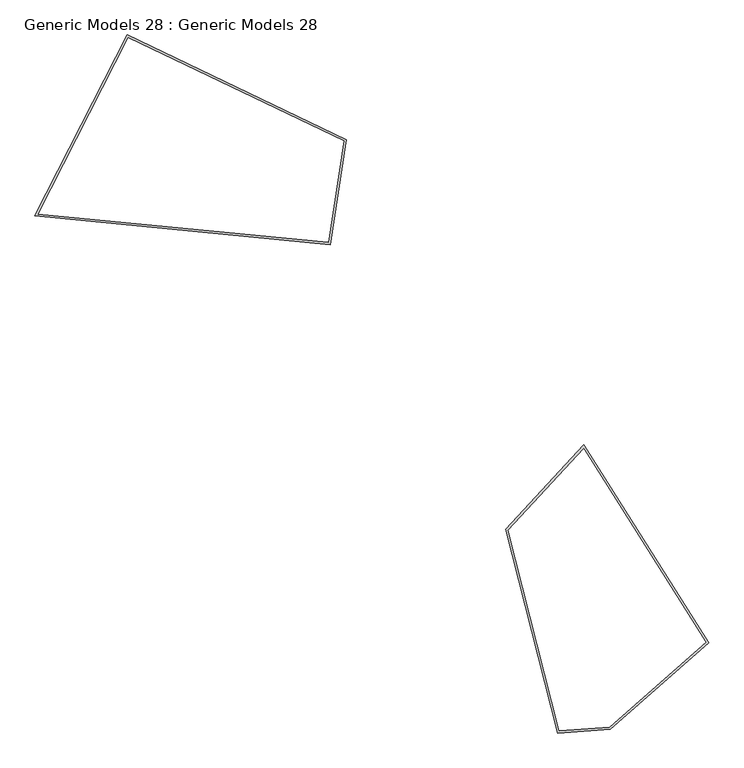
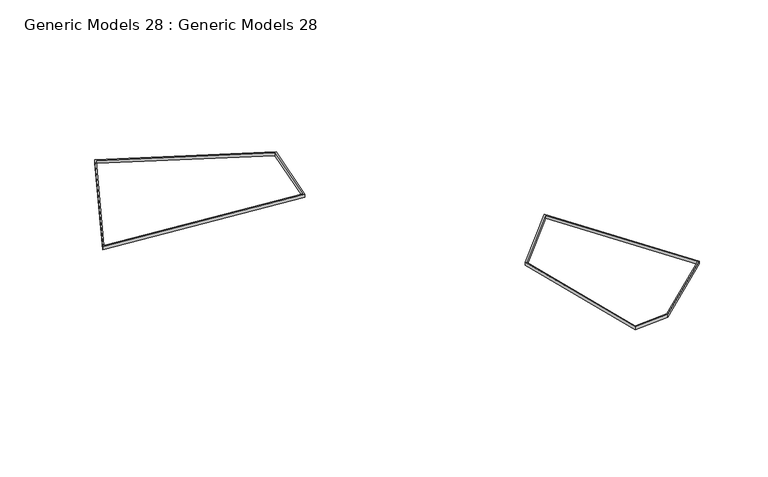
"""IFC4 building model written with IfcOpenShell, lengths in millimetres: proxy geometry, Generic Models 28 : Generic Models 28."""

from ifc_helpers import new_model, si_unit, frame, origin, place, context, project, spatial, polyline, outline, extrude, source, transform, mapped, element, save


def generic_models_28_generic_models_28_ae254f83(model_context):
    return source(origin(), model_context, "Body", "SweptSolid", [
        extrude(outline(polyline([(-215928.6251529, 179.1812492), (-199444.8480501, -25969.943683), (-212463.5443803, -37381.4078579), (-219408.6215846, -37881.8825121), (-226234.5168967, -10974.0448797), (-215928.6251529, 179.1812492)]), holes=[polyline([(-225903.6978771, -11058.0758763), (-219179.6061727, -37564.6013264), (-212585.5579371, -37089.422446), (-199835.2446226, -25913.2078761), (-215973.7887453, -311.7450648), (-225903.6978771, -11058.0758763)])]), frame((0.0, 0.0, 427.8608344), z_axis=(0.0, 0.0, 1.0), x_axis=(1.0, 0.0, 0.0)), (0.0, 0.0, 1.0), 614.2841013),
        extrude(outline(polyline([(-276244.1680761, 54348.7130462), (-247293.5494755, 40509.3368624), (-249466.3341192, 26635.7143217), (-288452.400733, 30431.1414254), (-276244.1680761, 54348.7130462)]), holes=[polyline([(-276109.8472568, 53951.9877712), (-287984.9552085, 30687.0523034), (-249718.9337143, 26961.7240582), (-247624.5050574, 40335.0294651), (-276109.8472568, 53951.9877712)])]), frame((0.0, 0.0, 427.8608344), z_axis=(0.0, 0.0, 1.0), x_axis=(1.0, 0.0, 0.0)), (0.0, 0.0, 1.0), 614.2841013),
    ])


if __name__ == "__main__":
    model = new_model("IFC4")
    model_context = context("Model", 3, world=origin())
    ifc_project = project(units=[si_unit("LENGTHUNIT", "METRE", prefix="MILLI")], contexts=[model_context])
    site = spatial("IfcSite", under=ifc_project)
    building = spatial("IfcBuilding", under=site)
    placement = place(None, origin())
    generic_models_28_generic_models_28_shape = generic_models_28_generic_models_28_ae254f83(model_context)
    element("IfcBuildingElementProxy", 1, Name="Generic Models 28 : Generic Models 28", ObjectType="Generic Models 28 : Generic Models 28", at=placement, inside=building, context=model_context, shape_type="MappedRepresentation", body=[
        mapped(generic_models_28_generic_models_28_shape, transform((0.0, 0.0, 0.0), x_axis=(1.0, 0.0, 0.0), y_axis=(0.0, 1.0, 0.0), z_axis=(0.0, 0.0, 1.0))),
    ])
    save(model, "model.ifc")
